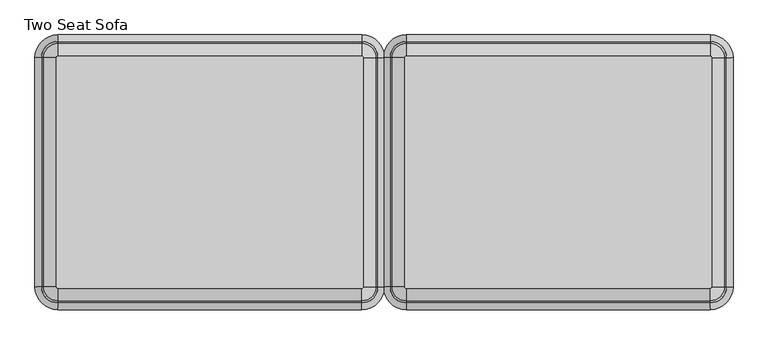
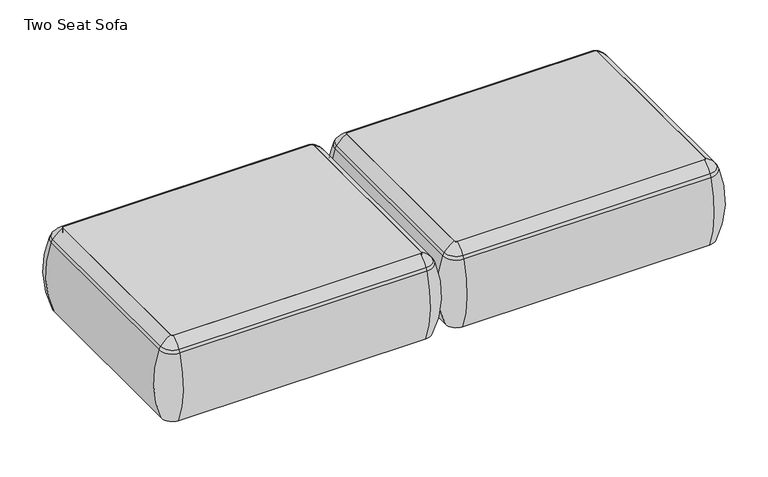
"""IFC4 building model written with IfcOpenShell, lengths in millimetres: furniture geometry, Two Seat Sofa."""

from ifc_helpers import new_model, si_unit, point, frame, frame_2d, origin, place, context, project, spatial, polyline, circle_curve, ellipse_curve, trimmed, segment, composite_curve, outline, extrude, source, transform, mapped, element, save
from ifc_brep_helpers import plane_surface, cylinder_surface, revolved_surface, advanced_brep


def two_seat_sofa_d5e577bb(model_context):
    return source(origin(), model_context, "Body", "SolidModel", [
        advanced_brep(
        [(-103.5651735, -680.3856623, 390.3914007), (-98.2853663, -685.6654695, 390.3914007), (-98.2853663, -685.6654695, 123.9999984), (-103.5651735, -680.3856623, 123.9999984), (-132.2532177, -680.3856623, 123.9999984), (-98.2853663, -714.3535137, 123.9999984), (-98.2853663, -722.0329787, 353.7769053), (-139.9326827, -680.3856623, 353.7769053), (-103.5651735, -92.2092577, 123.9999984), (-103.5651735, -92.2092577, 390.3914007), (-139.9326827, -92.2092577, 353.7769053), (-132.2532177, -92.2092577, 123.9999984), (-98.2853663, -86.9294504, 390.3914007), (-98.2853663, -86.9294504, 123.9999984), (-98.2853663, -58.2414063, 123.9999984), (-98.2853663, -50.5619412, 353.7769053), (681.4946337, -86.9294504, 123.9999984), (681.4946337, -86.9294504, 390.3914007), (681.4946337, -50.5619412, 353.7769053), (681.4946337, -58.2414063, 123.9999984), (686.774441, -92.2092577, 390.3914007), (686.774441, -92.2092577, 123.9999984), (715.4624852, -92.2092577, 123.9999984), (723.1419502, -92.2092577, 353.7769053), (686.774441, -680.3856623, 123.9999984), (686.774441, -680.3856623, 390.3914007), (723.1419502, -680.3856623, 353.7769053), (715.4624852, -680.3856623, 123.9999984), (681.4946337, -685.6654695, 390.3914007), (681.4946337, -685.6654695, 123.9999984), (681.4946337, -714.3535137, 123.9999984), (681.4946337, -722.0329787, 353.7769053), (-134.7142228, -680.3856623, 363.6402875), (-98.2853663, -716.8145188, 363.6402875), (-134.7142228, -92.2092577, 363.6402875), (-98.2853663, -55.7804011, 363.6402875), (681.4946337, -55.7804011, 363.6402875), (717.9234903, -92.2092577, 363.6402875), (717.9234903, -680.3856623, 363.6402875), (681.4946337, -716.8145188, 363.6402875)],
        [
            (0, 1, circle_curve(frame((-98.2853663, -680.3856623, 390.3914007), z_axis=(0.0, 0.0, 1.0), x_axis=(0.0, -1.0, 0.0)), 5.2798073)),
            (1, 2),
            (2, 3, circle_curve(frame((-98.2853663, -680.3856623, 123.9999984), z_axis=(0.0, 0.0, -1.0), x_axis=(0.0, -1.0, 0.0)), 5.2798073)),
            (3, 0),
            (4, 5, circle_curve(frame((-98.2853663, -680.3856623, 123.9999984), z_axis=(0.0, 0.0, 1.0), x_axis=(0.0, -1.0, 0.0)), 33.9678514)),
            (5, 6, circle_curve(frame((-98.2853663, -417.9792297, 248.9220234), z_axis=(-1.0, 0.0, 0.0), x_axis=(0.0, -1.0, 0.0)), 321.625914)),
            (6, 7, circle_curve(frame((-98.2853663, -680.3856623, 353.7769053), z_axis=(0.0, 0.0, -1.0), x_axis=(0.0, -1.0, 0.0)), 41.6473165)),
            (7, 4, circle_curve(frame((164.1210663, -680.3856623, 248.9220234), z_axis=(0.0, -1.0, 0.0), x_axis=(-1.0, 0.0, 0.0)), 321.625914)),
            (3, 8),
            (8, 9),
            (9, 0),
            (7, 10),
            (10, 11, circle_curve(frame((164.1210663, -92.2092577, 248.9220234), z_axis=(0.0, -1.0, 0.0), x_axis=(-1.0, 0.0, 0.0)), 321.625914)),
            (11, 4),
            (12, 9, circle_curve(frame((-98.2853663, -92.2092577, 390.3914007), z_axis=(0.0, 0.0, 1.0), x_axis=(-1.0, 0.0, 0.0)), 5.2798073)),
            (8, 13, circle_curve(frame((-98.2853663, -92.2092577, 123.9999984), z_axis=(0.0, 0.0, -1.0), x_axis=(-1.0, 0.0, 0.0)), 5.2798073)),
            (13, 12),
            (14, 11, circle_curve(frame((-98.2853663, -92.2092577, 123.9999984), z_axis=(0.0, 0.0, 1.0), x_axis=(-1.0, 0.0, 0.0)), 33.9678514)),
            (10, 15, circle_curve(frame((-98.2853663, -92.2092577, 353.7769053), z_axis=(0.0, 0.0, -1.0), x_axis=(-1.0, 0.0, 0.0)), 41.6473165)),
            (15, 14, circle_curve(frame((-98.2853663, -354.6156902, 248.9220234), z_axis=(-1.0, 0.0, 0.0), x_axis=(0.0, 1.0, 0.0)), 321.625914)),
            (13, 16),
            (16, 17),
            (17, 12),
            (15, 18),
            (18, 19, circle_curve(frame((681.4946337, -354.6156902, 248.9220234), z_axis=(-1.0, 0.0, 0.0), x_axis=(0.0, 1.0, 0.0)), 321.625914)),
            (19, 14),
            (20, 17, circle_curve(frame((681.4946337, -92.2092577, 390.3914007), z_axis=(0.0, 0.0, 1.0), x_axis=(0.0, 1.0, 0.0)), 5.2798073)),
            (16, 21, circle_curve(frame((681.4946337, -92.2092577, 123.9999984), z_axis=(0.0, 0.0, -1.0), x_axis=(0.0, 1.0, 0.0)), 5.2798073)),
            (21, 20),
            (22, 19, circle_curve(frame((681.4946337, -92.2092577, 123.9999984), z_axis=(0.0, 0.0, 1.0), x_axis=(0.0, 1.0, 0.0)), 33.9678514)),
            (18, 23, circle_curve(frame((681.4946337, -92.2092577, 353.7769053), z_axis=(0.0, 0.0, -1.0), x_axis=(0.0, 1.0, 0.0)), 41.6473165)),
            (23, 22, circle_curve(frame((419.0882012, -92.2092577, 248.9220234), z_axis=(0.0, 1.0, 0.0), x_axis=(1.0, 0.0, 0.0)), 321.625914)),
            (21, 24),
            (24, 25),
            (25, 20),
            (23, 26),
            (26, 27, circle_curve(frame((419.0882012, -680.3856623, 248.9220234), z_axis=(0.0, 1.0, 0.0), x_axis=(1.0, 0.0, 0.0)), 321.625914)),
            (27, 22),
            (28, 25, circle_curve(frame((681.4946337, -680.3856623, 390.3914007), z_axis=(0.0, 0.0, 1.0), x_axis=(1.0, 0.0, 0.0)), 5.2798073)),
            (24, 29, circle_curve(frame((681.4946337, -680.3856623, 123.9999984), z_axis=(0.0, 0.0, -1.0), x_axis=(1.0, 0.0, 0.0)), 5.2798073)),
            (29, 28),
            (30, 27, circle_curve(frame((681.4946337, -680.3856623, 123.9999984), z_axis=(0.0, 0.0, 1.0), x_axis=(1.0, 0.0, 0.0)), 33.9678514)),
            (26, 31, circle_curve(frame((681.4946337, -680.3856623, 353.7769053), z_axis=(0.0, 0.0, -1.0), x_axis=(1.0, 0.0, 0.0)), 41.6473165)),
            (31, 30, circle_curve(frame((681.4946337, -417.9792297, 248.9220234), z_axis=(1.0, 0.0, 0.0), x_axis=(0.0, -1.0, 0.0)), 321.625914)),
            (30, 5),
            (2, 29),
            (1, 28),
            (31, 6),
            (32, 33, circle_curve(frame((-98.2853663, -680.3856623, 363.6402875), z_axis=(0.0, 0.0, 1.0), x_axis=(0.0, -1.0, 0.0)), 36.4288566)),
            (33, 1, circle_curve(frame((-98.2853663, -641.43285, 307.3762868), z_axis=(-1.0, 0.0, 0.0), x_axis=(0.0, -1.0, 0.0)), 94.0639876)),
            (0, 32, circle_curve(frame((-59.332554, -680.3856623, 307.3762868), z_axis=(0.0, -1.0, 0.0), x_axis=(-1.0, 0.0, 0.0)), 94.0639876)),
            (6, 33, circle_curve(frame((-98.2853663, -687.7682596, 341.9604975), z_axis=(-1.0, 0.0, 0.0), x_axis=(0.0, -1.0, 0.0)), 36.2449785)),
            (32, 7, circle_curve(frame((-105.6679637, -680.3856623, 341.9604975), z_axis=(0.0, -1.0, 0.0), x_axis=(-1.0, 0.0, 0.0)), 36.2449785)),
            (9, 34, circle_curve(frame((-59.332554, -92.2092577, 307.3762868), z_axis=(0.0, -1.0, 0.0), x_axis=(-1.0, 0.0, 0.0)), 94.0639876)),
            (34, 32),
            (34, 10, circle_curve(frame((-105.6679637, -92.2092577, 341.9604975), z_axis=(0.0, -1.0, 0.0), x_axis=(-1.0, 0.0, 0.0)), 36.2449785)),
            (35, 34, circle_curve(frame((-98.2853663, -92.2092577, 363.6402875), z_axis=(0.0, 0.0, 1.0), x_axis=(-1.0, 0.0, 0.0)), 36.4288566)),
            (12, 35, circle_curve(frame((-98.2853663, -131.1620699, 307.3762868), z_axis=(-1.0, 0.0, 0.0), x_axis=(0.0, 1.0, 0.0)), 94.0639876)),
            (35, 15, circle_curve(frame((-98.2853663, -84.8266603, 341.9604975), z_axis=(-1.0, 0.0, 0.0), x_axis=(0.0, 1.0, 0.0)), 36.2449785)),
            (17, 36, circle_curve(frame((681.4946337, -131.1620699, 307.3762868), z_axis=(-1.0, 0.0, 0.0), x_axis=(0.0, 1.0, 0.0)), 94.0639876)),
            (36, 35),
            (36, 18, circle_curve(frame((681.4946337, -84.8266603, 341.9604975), z_axis=(-1.0, 0.0, 0.0), x_axis=(0.0, 1.0, 0.0)), 36.2449785)),
            (37, 36, circle_curve(frame((681.4946337, -92.2092577, 363.6402875), z_axis=(0.0, 0.0, 1.0), x_axis=(0.0, 1.0, 0.0)), 36.4288566)),
            (20, 37, circle_curve(frame((642.5418215, -92.2092577, 307.3762868), z_axis=(0.0, 1.0, 0.0), x_axis=(1.0, 0.0, 0.0)), 94.0639876)),
            (37, 23, circle_curve(frame((688.8772311, -92.2092577, 341.9604975), z_axis=(0.0, 1.0, 0.0), x_axis=(1.0, 0.0, 0.0)), 36.2449785)),
            (25, 38, circle_curve(frame((642.5418215, -680.3856623, 307.3762868), z_axis=(0.0, 1.0, 0.0), x_axis=(1.0, 0.0, 0.0)), 94.0639876)),
            (38, 37),
            (38, 26, circle_curve(frame((688.8772311, -680.3856623, 341.9604975), z_axis=(0.0, 1.0, 0.0), x_axis=(1.0, 0.0, 0.0)), 36.2449785)),
            (39, 38, circle_curve(frame((681.4946337, -680.3856623, 363.6402875), z_axis=(0.0, 0.0, 1.0), x_axis=(1.0, 0.0, 0.0)), 36.4288566)),
            (28, 39, circle_curve(frame((681.4946337, -641.43285, 307.3762868), z_axis=(1.0, 0.0, 0.0), x_axis=(0.0, -1.0, 0.0)), 94.0639876)),
            (39, 31, circle_curve(frame((681.4946337, -687.7682596, 341.9604975), z_axis=(1.0, 0.0, 0.0), x_axis=(0.0, -1.0, 0.0)), 36.2449785)),
            (33, 39),
        ],
        [
            revolved_surface(polyline([(-98.2853663, -685.6654696, 123.9999984), (-98.2853663, -685.6654696, 390.3914007)]), (-98.2853663, -680.3856623, 0.0), (0.0, 0.0, -1.0)),
            revolved_surface(trimmed(ellipse_curve(frame((-98.2853663, -417.9792297, 248.9220234), z_axis=(1.0, 0.0, 0.0), x_axis=(0.0, -1.0, 0.0)), 321.625914, 321.625914), [point((-98.2853663, -722.0329787, 353.7769053))], [point((-98.2853663, -714.3535137, 123.9999984))], True, "CARTESIAN"), (-98.2853663, -680.3856623, 0.0), (0.0, 0.0, -1.0)),
            plane_surface(frame((-103.5651735, -680.3856623, 123.9999984), z_axis=(1.0, 0.0, 0.0), x_axis=(0.0, 1.0, 0.0))),
            cylinder_surface(frame((164.1210663, -680.3856623, 248.9220234), z_axis=(0.0, -1.0, 0.0), x_axis=(-1.0, 0.0, 0.0)), 321.625914),
            revolved_surface(polyline([(-103.56517360000001, -92.2092577, 123.9999984), (-103.56517360000001, -92.2092577, 390.3914007)]), (-98.2853663, -92.2092577, 0.0), (0.0, 0.0, -1.0)),
            revolved_surface(trimmed(ellipse_curve(frame((164.1210663, -92.2092577, 248.9220234), z_axis=(0.0, -1.0, 0.0), x_axis=(-1.0, 0.0, 0.0)), 321.625914, 321.625914), [point((-139.9326827, -92.2092577, 353.7769053))], [point((-132.2532177, -92.2092577, 123.9999984))], True, "CARTESIAN"), (-98.2853663, -92.2092577, 0.0), (0.0, 0.0, -1.0)),
            plane_surface(frame((-98.2853663, -86.9294504, 123.9999984), z_axis=(0.0, -1.0, 0.0), x_axis=(1.0, 0.0, 0.0))),
            cylinder_surface(frame((-98.2853663, -354.6156902, 248.9220234), z_axis=(-1.0, 0.0, 0.0), x_axis=(0.0, 1.0, 0.0)), 321.625914),
            revolved_surface(polyline([(681.4946337, -86.9294504, 123.9999984), (681.4946337, -86.9294504, 390.3914007)]), (681.4946337, -92.2092577, 0.0), (0.0, 0.0, -1.0)),
            revolved_surface(trimmed(ellipse_curve(frame((681.4946337, -354.6156902, 248.9220234), z_axis=(-1.0, 0.0, 0.0), x_axis=(0.0, 1.0, 0.0)), 321.625914, 321.625914), [point((681.4946337, -50.5619412, 353.7769053))], [point((681.4946337, -58.2414063, 123.9999984))], True, "CARTESIAN"), (681.4946337, -92.2092577, 0.0), (0.0, 0.0, -1.0)),
            plane_surface(frame((686.774441, -92.2092577, 123.9999984), z_axis=(-1.0, 0.0, 0.0), x_axis=(0.0, -1.0, 0.0))),
            cylinder_surface(frame((419.0882012, -92.2092577, 248.9220234), z_axis=(0.0, 1.0, 0.0), x_axis=(1.0, 0.0, 0.0)), 321.625914),
            revolved_surface(polyline([(686.774441, -680.3856623, 123.9999984), (686.774441, -680.3856623, 390.3914007)]), (681.4946337, -680.3856623, 0.0), (0.0, 0.0, -1.0)),
            revolved_surface(trimmed(ellipse_curve(frame((419.0882012, -680.3856623, 248.9220234), z_axis=(0.0, 1.0, 0.0), x_axis=(1.0, 0.0, 0.0)), 321.625914, 321.625914), [point((723.1419502, -680.3856623, 353.7769053))], [point((715.4624852, -680.3856623, 123.9999984))], True, "CARTESIAN"), (681.4946337, -680.3856623, 0.0), (0.0, 0.0, -1.0)),
            plane_surface(frame((681.4946337, -714.3535137, 123.9999984), z_axis=(0.0, 0.0, -1.0), x_axis=(-1.0, 0.0, 0.0))),
            plane_surface(frame((681.4946337, -685.6654695, 123.9999984), z_axis=(0.0, 1.0, 0.0), x_axis=(-1.0, 0.0, 0.0))),
            cylinder_surface(frame((681.4946337, -417.9792297, 248.9220234), z_axis=(1.0, 0.0, 0.0), x_axis=(0.0, -1.0, 0.0)), 321.625914),
            revolved_surface(trimmed(ellipse_curve(frame((-98.2853663, -641.43285, 307.3762868), z_axis=(1.0, 0.0, 0.0), x_axis=(0.0, -1.0, 0.0)), 94.0639876, 94.0639876), [point((-98.2853663, -685.6654695, 390.3914007))], [point((-98.2853663, -716.8145188, 363.6402875))], True, "CARTESIAN"), (-98.2853663, -680.3856623, 0.0), (0.0, 0.0, -1.0)),
            revolved_surface(trimmed(ellipse_curve(frame((-98.2853663, -687.7682596, 341.9604975), z_axis=(1.0, 0.0, 0.0), x_axis=(0.0, -1.0, 0.0)), 36.2449785, 36.2449785), [point((-98.2853663, -716.8145188, 363.6402875))], [point((-98.2853663, -722.0329787, 353.7769053))], True, "CARTESIAN"), (-98.2853663, -680.3856623, 0.0), (0.0, 0.0, -1.0)),
            cylinder_surface(frame((-59.332554, -680.3856623, 307.3762868), z_axis=(0.0, -1.0, 0.0), x_axis=(-1.0, 0.0, 0.0)), 94.0639876),
            cylinder_surface(frame((-105.6679637, -680.3856623, 341.9604975), z_axis=(0.0, -1.0, 0.0), x_axis=(-1.0, 0.0, 0.0)), 36.2449785),
            revolved_surface(trimmed(ellipse_curve(frame((-59.332554, -92.2092577, 307.3762868), z_axis=(0.0, -1.0, 0.0), x_axis=(-1.0, 0.0, 0.0)), 94.0639876, 94.0639876), [point((-103.5651735, -92.2092577, 390.3914007))], [point((-134.7142228, -92.2092577, 363.6402875))], True, "CARTESIAN"), (-98.2853663, -92.2092577, 0.0), (0.0, 0.0, -1.0)),
            revolved_surface(trimmed(ellipse_curve(frame((-105.6679637, -92.2092577, 341.9604975), z_axis=(0.0, -1.0, 0.0), x_axis=(-1.0, 0.0, 0.0)), 36.2449785, 36.2449785), [point((-134.7142228, -92.2092577, 363.6402875))], [point((-139.9326827, -92.2092577, 353.7769053))], True, "CARTESIAN"), (-98.2853663, -92.2092577, 0.0), (0.0, 0.0, -1.0)),
            cylinder_surface(frame((-98.2853663, -131.1620699, 307.3762868), z_axis=(-1.0, 0.0, 0.0), x_axis=(0.0, 1.0, 0.0)), 94.0639876),
            cylinder_surface(frame((-98.2853663, -84.8266603, 341.9604975), z_axis=(-1.0, 0.0, 0.0), x_axis=(0.0, 1.0, 0.0)), 36.2449785),
            revolved_surface(trimmed(ellipse_curve(frame((681.4946337, -131.1620699, 307.3762868), z_axis=(-1.0, 0.0, 0.0), x_axis=(0.0, 1.0, 0.0)), 94.0639876, 94.0639876), [point((681.4946337, -86.9294504, 390.3914007))], [point((681.4946337, -55.7804011, 363.6402875))], True, "CARTESIAN"), (681.4946337, -92.2092577, 0.0), (0.0, 0.0, -1.0)),
            revolved_surface(trimmed(ellipse_curve(frame((681.4946337, -84.8266603, 341.9604975), z_axis=(-1.0, 0.0, 0.0), x_axis=(0.0, 1.0, 0.0)), 36.2449785, 36.2449785), [point((681.4946337, -55.7804011, 363.6402875))], [point((681.4946337, -50.5619412, 353.7769053))], True, "CARTESIAN"), (681.4946337, -92.2092577, 0.0), (0.0, 0.0, -1.0)),
            cylinder_surface(frame((642.5418215, -92.2092577, 307.3762868), z_axis=(0.0, 1.0, 0.0), x_axis=(1.0, 0.0, 0.0)), 94.0639876),
            cylinder_surface(frame((688.8772311, -92.2092577, 341.9604975), z_axis=(0.0, 1.0, 0.0), x_axis=(1.0, 0.0, 0.0)), 36.2449785),
            revolved_surface(trimmed(ellipse_curve(frame((642.5418215, -680.3856623, 307.3762868), z_axis=(0.0, 1.0, 0.0), x_axis=(1.0, 0.0, 0.0)), 94.0639876, 94.0639876), [point((686.774441, -680.3856623, 390.3914007))], [point((717.9234903, -680.3856623, 363.6402875))], True, "CARTESIAN"), (681.4946337, -680.3856623, 0.0), (0.0, 0.0, -1.0)),
            revolved_surface(trimmed(ellipse_curve(frame((688.8772311, -680.3856623, 341.9604975), z_axis=(0.0, 1.0, 0.0), x_axis=(1.0, 0.0, 0.0)), 36.2449785, 36.2449785), [point((717.9234903, -680.3856623, 363.6402875))], [point((723.1419502, -680.3856623, 353.7769053))], True, "CARTESIAN"), (681.4946337, -680.3856623, 0.0), (0.0, 0.0, -1.0)),
            cylinder_surface(frame((681.4946337, -641.43285, 307.3762868), z_axis=(1.0, 0.0, 0.0), x_axis=(0.0, -1.0, 0.0)), 94.0639876),
            cylinder_surface(frame((681.4946337, -687.7682596, 341.9604975), z_axis=(1.0, 0.0, 0.0), x_axis=(0.0, -1.0, 0.0)), 36.2449785),
        ],
        [
            (0, [[1, 2, 3, 4]]),
            (1, [[5, 6, 7, 8]]),
            (2, [[-4, 9, 10, 11]]),
            (3, [[-8, 12, 13, 14]]),
            (4, [[15, -10, 16, 17]]),
            (5, [[18, -13, 19, 20]]),
            (6, [[-17, 21, 22, 23]]),
            (7, [[-20, 24, 25, 26]]),
            (8, [[27, -22, 28, 29]]),
            (9, [[30, -25, 31, 32]]),
            (10, [[-29, 33, 34, 35]]),
            (11, [[-32, 36, 37, 38]]),
            (12, [[39, -34, 40, 41]]),
            (13, [[42, -37, 43, 44]]),
            (14, [[-38, -42, 45, -5, -14, -18, -26, -30], [46, -40, -33, -28, -21, -16, -9, -3]]),
            (15, [[-41, -46, -2, 47]]),
            (16, [[-44, 48, -6, -45]]),
            (17, [[49, 50, -1, 51]]),
            (18, [[-7, 52, -49, 53]]),
            (19, [[-51, -11, 54, 55]]),
            (20, [[-53, -55, 56, -12]]),
            (21, [[57, -54, -15, 58]]),
            (22, [[-19, -56, -57, 59]]),
            (23, [[-58, -23, 60, 61]]),
            (24, [[-59, -61, 62, -24]]),
            (25, [[63, -60, -27, 64]]),
            (26, [[-31, -62, -63, 65]]),
            (27, [[-64, -35, 66, 67]]),
            (28, [[-65, -67, 68, -36]]),
            (29, [[69, -66, -39, 70]]),
            (30, [[-43, -68, -69, 71]]),
            (31, [[-70, -47, -50, 72]]),
            (32, [[-71, -72, -52, -48]]),
        ],
    ),
        extrude(outline(composite_curve([segment(trimmed(circle_curve(frame_2d((681.4946337, -680.3856623)), 5.2798073), [point((686.774441, -680.3856623))], [point((681.4946337, -685.6654695))], False, "CARTESIAN"), True, "CONTINUOUS"), segment(polyline([(681.4946337, -685.6654695), (-98.2853663, -685.6654695)]), True, "CONTINUOUS"), segment(trimmed(circle_curve(frame_2d((-98.2853663, -680.3856623)), 5.2798073), [point((-98.2853663, -685.6654695))], [point((-103.5651735, -680.3856623))], False, "CARTESIAN"), True, "CONTINUOUS"), segment(polyline([(-103.5651735, -680.3856623), (-103.5651735, -92.2092577)]), True, "CONTINUOUS"), segment(trimmed(circle_curve(frame_2d((-98.2853663, -92.2092577)), 5.2798073), [point((-103.5651735, -92.2092577))], [point((-98.2853663, -86.9294504))], False, "CARTESIAN"), True, "CONTINUOUS"), segment(polyline([(-98.2853663, -86.9294504), (681.4946337, -86.9294504)]), True, "CONTINUOUS"), segment(trimmed(circle_curve(frame_2d((681.4946337, -92.2092577)), 5.2798073), [point((681.4946337, -86.9294504))], [point((686.774441, -92.2092577))], False, "CARTESIAN"), True, "CONTINUOUS"), segment(polyline([(686.774441, -92.2092577), (686.774441, -680.3856623)]), True, "CONTINUOUS")], self_intersect=False)), frame((0.0, 0.0, 123.9999984), z_axis=(0.0, 0.0, 1.0), x_axis=(1.0, 0.0, 0.0)), (0.0, 0.0, 1.0), 266.3914023),
        advanced_brep(
        [(-997.6650173, -680.3856623, 390.3914007), (-992.38521, -685.6654695, 390.3914007), (-992.38521, -685.6654695, 123.9999984), (-997.6650173, -680.3856623, 123.9999984), (-1026.3530615, -680.3856623, 123.9999984), (-992.38521, -714.3535137, 123.9999984), (-992.38521, -722.0329787, 353.7769053), (-1034.0325265, -680.3856623, 353.7769053), (-997.6650173, -92.2092577, 123.9999984), (-997.6650173, -92.2092577, 390.3914007), (-1034.0325265, -92.2092577, 353.7769053), (-1026.3530615, -92.2092577, 123.9999984), (-992.38521, -86.9294504, 390.3914007), (-992.38521, -86.9294504, 123.9999984), (-992.38521, -58.2414063, 123.9999984), (-992.38521, -50.5619412, 353.7769053), (-212.60521, -86.9294504, 123.9999984), (-212.60521, -86.9294504, 390.3914007), (-212.60521, -50.5619412, 353.7769053), (-212.60521, -58.2414063, 123.9999984), (-207.3254028, -92.2092577, 390.3914007), (-207.3254028, -92.2092577, 123.9999984), (-178.6373586, -92.2092577, 123.9999984), (-170.9578936, -92.2092577, 353.7769053), (-207.3254028, -680.3856623, 123.9999984), (-207.3254028, -680.3856623, 390.3914007), (-170.9578936, -680.3856623, 353.7769053), (-178.6373586, -680.3856623, 123.9999984), (-212.60521, -685.6654695, 390.3914007), (-212.60521, -685.6654695, 123.9999984), (-212.60521, -714.3535137, 123.9999984), (-212.60521, -722.0329787, 353.7769053), (-1028.8140666, -680.3856623, 363.6402875), (-992.38521, -716.8145188, 363.6402875), (-1028.8140666, -92.2092577, 363.6402875), (-992.38521, -55.7804011, 363.6402875), (-212.60521, -55.7804011, 363.6402875), (-176.1763535, -92.2092577, 363.6402875), (-176.1763535, -680.3856623, 363.6402875), (-212.60521, -716.8145188, 363.6402875)],
        [
            (0, 1, circle_curve(frame((-992.38521, -680.3856623, 390.3914007), z_axis=(0.0, 0.0, 1.0), x_axis=(0.0, -1.0, 0.0)), 5.2798073)),
            (1, 2),
            (2, 3, circle_curve(frame((-992.38521, -680.3856623, 123.9999984), z_axis=(0.0, 0.0, -1.0), x_axis=(0.0, -1.0, 0.0)), 5.2798073)),
            (3, 0),
            (4, 5, circle_curve(frame((-992.38521, -680.3856623, 123.9999984), z_axis=(0.0, 0.0, 1.0), x_axis=(0.0, -1.0, 0.0)), 33.9678514)),
            (5, 6, circle_curve(frame((-992.38521, -417.9792297, 248.9220234), z_axis=(-1.0, 0.0, 0.0), x_axis=(0.0, -1.0, 0.0)), 321.625914)),
            (6, 7, circle_curve(frame((-992.38521, -680.3856623, 353.7769053), z_axis=(0.0, 0.0, -1.0), x_axis=(0.0, -1.0, 0.0)), 41.6473165)),
            (7, 4, circle_curve(frame((-729.9787775, -680.3856623, 248.9220234), z_axis=(0.0, -1.0, 0.0), x_axis=(-1.0, 0.0, 0.0)), 321.625914)),
            (3, 8),
            (8, 9),
            (9, 0),
            (7, 10),
            (10, 11, circle_curve(frame((-729.9787775, -92.2092577, 248.9220234), z_axis=(0.0, -1.0, 0.0), x_axis=(-1.0, 0.0, 0.0)), 321.625914)),
            (11, 4),
            (12, 9, circle_curve(frame((-992.38521, -92.2092577, 390.3914007), z_axis=(0.0, 0.0, 1.0), x_axis=(-1.0, 0.0, 0.0)), 5.2798073)),
            (8, 13, circle_curve(frame((-992.38521, -92.2092577, 123.9999984), z_axis=(0.0, 0.0, -1.0), x_axis=(-1.0, 0.0, 0.0)), 5.2798073)),
            (13, 12),
            (14, 11, circle_curve(frame((-992.38521, -92.2092577, 123.9999984), z_axis=(0.0, 0.0, 1.0), x_axis=(-1.0, 0.0, 0.0)), 33.9678514)),
            (10, 15, circle_curve(frame((-992.38521, -92.2092577, 353.7769053), z_axis=(0.0, 0.0, -1.0), x_axis=(-1.0, 0.0, 0.0)), 41.6473165)),
            (15, 14, circle_curve(frame((-992.38521, -354.6156902, 248.9220234), z_axis=(-1.0, 0.0, 0.0), x_axis=(0.0, 1.0, 0.0)), 321.625914)),
            (13, 16),
            (16, 17),
            (17, 12),
            (15, 18),
            (18, 19, circle_curve(frame((-212.60521, -354.6156902, 248.9220234), z_axis=(-1.0, 0.0, 0.0), x_axis=(0.0, 1.0, 0.0)), 321.625914)),
            (19, 14),
            (20, 17, circle_curve(frame((-212.60521, -92.2092577, 390.3914007), z_axis=(0.0, 0.0, 1.0), x_axis=(0.0, 1.0, 0.0)), 5.2798073)),
            (16, 21, circle_curve(frame((-212.60521, -92.2092577, 123.9999984), z_axis=(0.0, 0.0, -1.0), x_axis=(0.0, 1.0, 0.0)), 5.2798073)),
            (21, 20),
            (22, 19, circle_curve(frame((-212.60521, -92.2092577, 123.9999984), z_axis=(0.0, 0.0, 1.0), x_axis=(0.0, 1.0, 0.0)), 33.9678514)),
            (18, 23, circle_curve(frame((-212.60521, -92.2092577, 353.7769053), z_axis=(0.0, 0.0, -1.0), x_axis=(0.0, 1.0, 0.0)), 41.6473165)),
            (23, 22, circle_curve(frame((-475.0116426, -92.2092577, 248.9220234), z_axis=(0.0, 1.0, 0.0), x_axis=(1.0, 0.0, 0.0)), 321.625914)),
            (21, 24),
            (24, 25),
            (25, 20),
            (23, 26),
            (26, 27, circle_curve(frame((-475.0116426, -680.3856623, 248.9220234), z_axis=(0.0, 1.0, 0.0), x_axis=(1.0, 0.0, 0.0)), 321.625914)),
            (27, 22),
            (28, 25, circle_curve(frame((-212.60521, -680.3856623, 390.3914007), z_axis=(0.0, 0.0, 1.0), x_axis=(1.0, 0.0, 0.0)), 5.2798073)),
            (24, 29, circle_curve(frame((-212.60521, -680.3856623, 123.9999984), z_axis=(0.0, 0.0, -1.0), x_axis=(1.0, 0.0, 0.0)), 5.2798073)),
            (29, 28),
            (30, 27, circle_curve(frame((-212.60521, -680.3856623, 123.9999984), z_axis=(0.0, 0.0, 1.0), x_axis=(1.0, 0.0, 0.0)), 33.9678514)),
            (26, 31, circle_curve(frame((-212.60521, -680.3856623, 353.7769053), z_axis=(0.0, 0.0, -1.0), x_axis=(1.0, 0.0, 0.0)), 41.6473165)),
            (31, 30, circle_curve(frame((-212.60521, -417.9792297, 248.9220234), z_axis=(1.0, 0.0, 0.0), x_axis=(0.0, -1.0, 0.0)), 321.625914)),
            (30, 5),
            (2, 29),
            (1, 28),
            (31, 6),
            (32, 33, circle_curve(frame((-992.38521, -680.3856623, 363.6402875), z_axis=(0.0, 0.0, 1.0), x_axis=(0.0, -1.0, 0.0)), 36.4288566)),
            (33, 1, circle_curve(frame((-992.38521, -641.43285, 307.3762868), z_axis=(-1.0, 0.0, 0.0), x_axis=(0.0, -1.0, 0.0)), 94.0639876)),
            (0, 32, circle_curve(frame((-953.4323978, -680.3856623, 307.3762868), z_axis=(0.0, -1.0, 0.0), x_axis=(-1.0, 0.0, 0.0)), 94.0639876)),
            (6, 33, circle_curve(frame((-992.38521, -687.7682596, 341.9604975), z_axis=(-1.0, 0.0, 0.0), x_axis=(0.0, -1.0, 0.0)), 36.2449785)),
            (32, 7, circle_curve(frame((-999.7678074, -680.3856623, 341.9604975), z_axis=(0.0, -1.0, 0.0), x_axis=(-1.0, 0.0, 0.0)), 36.2449785)),
            (9, 34, circle_curve(frame((-953.4323978, -92.2092577, 307.3762868), z_axis=(0.0, -1.0, 0.0), x_axis=(-1.0, 0.0, 0.0)), 94.0639876)),
            (34, 32),
            (34, 10, circle_curve(frame((-999.7678074, -92.2092577, 341.9604975), z_axis=(0.0, -1.0, 0.0), x_axis=(-1.0, 0.0, 0.0)), 36.2449785)),
            (35, 34, circle_curve(frame((-992.38521, -92.2092577, 363.6402875), z_axis=(0.0, 0.0, 1.0), x_axis=(-1.0, 0.0, 0.0)), 36.4288566)),
            (12, 35, circle_curve(frame((-992.38521, -131.1620699, 307.3762868), z_axis=(-1.0, 0.0, 0.0), x_axis=(0.0, 1.0, 0.0)), 94.0639876)),
            (35, 15, circle_curve(frame((-992.38521, -84.8266603, 341.9604975), z_axis=(-1.0, 0.0, 0.0), x_axis=(0.0, 1.0, 0.0)), 36.2449785)),
            (17, 36, circle_curve(frame((-212.60521, -131.1620699, 307.3762868), z_axis=(-1.0, 0.0, 0.0), x_axis=(0.0, 1.0, 0.0)), 94.0639876)),
            (36, 35),
            (36, 18, circle_curve(frame((-212.60521, -84.8266603, 341.9604975), z_axis=(-1.0, 0.0, 0.0), x_axis=(0.0, 1.0, 0.0)), 36.2449785)),
            (37, 36, circle_curve(frame((-212.60521, -92.2092577, 363.6402875), z_axis=(0.0, 0.0, 1.0), x_axis=(0.0, 1.0, 0.0)), 36.4288566)),
            (20, 37, circle_curve(frame((-251.5580223, -92.2092577, 307.3762868), z_axis=(0.0, 1.0, 0.0), x_axis=(1.0, 0.0, 0.0)), 94.0639876)),
            (37, 23, circle_curve(frame((-205.2226126, -92.2092577, 341.9604975), z_axis=(0.0, 1.0, 0.0), x_axis=(1.0, 0.0, 0.0)), 36.2449785)),
            (25, 38, circle_curve(frame((-251.5580223, -680.3856623, 307.3762868), z_axis=(0.0, 1.0, 0.0), x_axis=(1.0, 0.0, 0.0)), 94.0639876)),
            (38, 37),
            (38, 26, circle_curve(frame((-205.2226126, -680.3856623, 341.9604975), z_axis=(0.0, 1.0, 0.0), x_axis=(1.0, 0.0, 0.0)), 36.2449785)),
            (39, 38, circle_curve(frame((-212.60521, -680.3856623, 363.6402875), z_axis=(0.0, 0.0, 1.0), x_axis=(1.0, 0.0, 0.0)), 36.4288566)),
            (28, 39, circle_curve(frame((-212.60521, -641.43285, 307.3762868), z_axis=(1.0, 0.0, 0.0), x_axis=(0.0, -1.0, 0.0)), 94.0639876)),
            (39, 31, circle_curve(frame((-212.60521, -687.7682596, 341.9604975), z_axis=(1.0, 0.0, 0.0), x_axis=(0.0, -1.0, 0.0)), 36.2449785)),
            (33, 39),
        ],
        [
            revolved_surface(polyline([(-992.38521, -685.6654696, 123.9999984), (-992.38521, -685.6654696, 390.3914007)]), (-992.38521, -680.3856623, 0.0), (0.0, 0.0, -1.0)),
            revolved_surface(trimmed(ellipse_curve(frame((-992.38521, -417.9792297, 248.9220234), z_axis=(1.0, 0.0, 0.0), x_axis=(0.0, -1.0, 0.0)), 321.625914, 321.625914), [point((-992.38521, -722.0329787, 353.7769053))], [point((-992.38521, -714.3535137, 123.9999984))], True, "CARTESIAN"), (-992.38521, -680.3856623, 0.0), (0.0, 0.0, -1.0)),
            plane_surface(frame((-997.6650173, -680.3856623, 123.9999984), z_axis=(1.0, 0.0, 0.0), x_axis=(0.0, 1.0, 0.0))),
            cylinder_surface(frame((-729.9787775, -680.3856623, 248.9220234), z_axis=(0.0, -1.0, 0.0), x_axis=(-1.0, 0.0, 0.0)), 321.625914),
            revolved_surface(polyline([(-997.6650173, -92.2092577, 123.9999984), (-997.6650173, -92.2092577, 390.3914007)]), (-992.38521, -92.2092577, 0.0), (0.0, 0.0, -1.0)),
            revolved_surface(trimmed(ellipse_curve(frame((-729.9787775, -92.2092577, 248.9220234), z_axis=(0.0, -1.0, 0.0), x_axis=(-1.0, 0.0, 0.0)), 321.625914, 321.625914), [point((-1034.0325265, -92.2092577, 353.7769053))], [point((-1026.3530615, -92.2092577, 123.9999984))], True, "CARTESIAN"), (-992.38521, -92.2092577, 0.0), (0.0, 0.0, -1.0)),
            plane_surface(frame((-992.38521, -86.9294504, 123.9999984), z_axis=(0.0, -1.0, 0.0), x_axis=(1.0, 0.0, 0.0))),
            cylinder_surface(frame((-992.38521, -354.6156902, 248.9220234), z_axis=(-1.0, 0.0, 0.0), x_axis=(0.0, 1.0, 0.0)), 321.625914),
            revolved_surface(polyline([(-212.60521, -86.9294504, 123.9999984), (-212.60521, -86.9294504, 390.3914007)]), (-212.60521, -92.2092577, 0.0), (0.0, 0.0, -1.0)),
            revolved_surface(trimmed(ellipse_curve(frame((-212.60521, -354.6156902, 248.9220234), z_axis=(-1.0, 0.0, 0.0), x_axis=(0.0, 1.0, 0.0)), 321.625914, 321.625914), [point((-212.60521, -50.5619412, 353.7769053))], [point((-212.60521, -58.2414063, 123.9999984))], True, "CARTESIAN"), (-212.60521, -92.2092577, 0.0), (0.0, 0.0, -1.0)),
            plane_surface(frame((-207.3254028, -92.2092577, 123.9999984), z_axis=(-1.0, 0.0, 0.0), x_axis=(0.0, -1.0, 0.0))),
            cylinder_surface(frame((-475.0116426, -92.2092577, 248.9220234), z_axis=(0.0, 1.0, 0.0), x_axis=(1.0, 0.0, 0.0)), 321.625914),
            revolved_surface(polyline([(-207.3254027, -680.3856623, 123.9999984), (-207.3254027, -680.3856623, 390.3914007)]), (-212.60521, -680.3856623, 0.0), (0.0, 0.0, -1.0)),
            revolved_surface(trimmed(ellipse_curve(frame((-475.0116426, -680.3856623, 248.9220234), z_axis=(0.0, 1.0, 0.0), x_axis=(1.0, 0.0, 0.0)), 321.625914, 321.625914), [point((-170.9578936, -680.3856623, 353.7769053))], [point((-178.6373586, -680.3856623, 123.9999984))], True, "CARTESIAN"), (-212.60521, -680.3856623, 0.0), (0.0, 0.0, -1.0)),
            plane_surface(frame((-212.60521, -714.3535137, 123.9999984), z_axis=(0.0, 0.0, -1.0), x_axis=(-1.0, 0.0, 0.0))),
            plane_surface(frame((-212.60521, -685.6654695, 123.9999984), z_axis=(0.0, 1.0, 0.0), x_axis=(-1.0, 0.0, 0.0))),
            cylinder_surface(frame((-212.60521, -417.9792297, 248.9220234), z_axis=(1.0, 0.0, 0.0), x_axis=(0.0, -1.0, 0.0)), 321.625914),
            revolved_surface(trimmed(ellipse_curve(frame((-992.38521, -641.43285, 307.3762868), z_axis=(1.0, 0.0, 0.0), x_axis=(0.0, -1.0, 0.0)), 94.0639876, 94.0639876), [point((-992.38521, -685.6654695, 390.3914007))], [point((-992.38521, -716.8145188, 363.6402875))], True, "CARTESIAN"), (-992.38521, -680.3856623, 0.0), (0.0, 0.0, -1.0)),
            revolved_surface(trimmed(ellipse_curve(frame((-992.38521, -687.7682596, 341.9604975), z_axis=(1.0, 0.0, 0.0), x_axis=(0.0, -1.0, 0.0)), 36.2449785, 36.2449785), [point((-992.38521, -716.8145188, 363.6402875))], [point((-992.38521, -722.0329787, 353.7769053))], True, "CARTESIAN"), (-992.38521, -680.3856623, 0.0), (0.0, 0.0, -1.0)),
            cylinder_surface(frame((-953.4323978, -680.3856623, 307.3762868), z_axis=(0.0, -1.0, 0.0), x_axis=(-1.0, 0.0, 0.0)), 94.0639876),
            cylinder_surface(frame((-999.7678074, -680.3856623, 341.9604975), z_axis=(0.0, -1.0, 0.0), x_axis=(-1.0, 0.0, 0.0)), 36.2449785),
            revolved_surface(trimmed(ellipse_curve(frame((-953.4323978, -92.2092577, 307.3762868), z_axis=(0.0, -1.0, 0.0), x_axis=(-1.0, 0.0, 0.0)), 94.0639876, 94.0639876), [point((-997.6650173, -92.2092577, 390.3914007))], [point((-1028.8140666, -92.2092577, 363.6402875))], True, "CARTESIAN"), (-992.38521, -92.2092577, 0.0), (0.0, 0.0, -1.0)),
            revolved_surface(trimmed(ellipse_curve(frame((-999.7678074, -92.2092577, 341.9604975), z_axis=(0.0, -1.0, 0.0), x_axis=(-1.0, 0.0, 0.0)), 36.2449785, 36.2449785), [point((-1028.8140666, -92.2092577, 363.6402875))], [point((-1034.0325265, -92.2092577, 353.7769053))], True, "CARTESIAN"), (-992.38521, -92.2092577, 0.0), (0.0, 0.0, -1.0)),
            cylinder_surface(frame((-992.38521, -131.1620699, 307.3762868), z_axis=(-1.0, 0.0, 0.0), x_axis=(0.0, 1.0, 0.0)), 94.0639876),
            cylinder_surface(frame((-992.38521, -84.8266603, 341.9604975), z_axis=(-1.0, 0.0, 0.0), x_axis=(0.0, 1.0, 0.0)), 36.2449785),
            revolved_surface(trimmed(ellipse_curve(frame((-212.60521, -131.1620699, 307.3762868), z_axis=(-1.0, 0.0, 0.0), x_axis=(0.0, 1.0, 0.0)), 94.0639876, 94.0639876), [point((-212.60521, -86.9294504, 390.3914007))], [point((-212.60521, -55.7804011, 363.6402875))], True, "CARTESIAN"), (-212.60521, -92.2092577, 0.0), (0.0, 0.0, -1.0)),
            revolved_surface(trimmed(ellipse_curve(frame((-212.60521, -84.8266603, 341.9604975), z_axis=(-1.0, 0.0, 0.0), x_axis=(0.0, 1.0, 0.0)), 36.2449785, 36.2449785), [point((-212.60521, -55.7804011, 363.6402875))], [point((-212.60521, -50.5619412, 353.7769053))], True, "CARTESIAN"), (-212.60521, -92.2092577, 0.0), (0.0, 0.0, -1.0)),
            cylinder_surface(frame((-251.5580223, -92.2092577, 307.3762868), z_axis=(0.0, 1.0, 0.0), x_axis=(1.0, 0.0, 0.0)), 94.0639876),
            cylinder_surface(frame((-205.2226126, -92.2092577, 341.9604975), z_axis=(0.0, 1.0, 0.0), x_axis=(1.0, 0.0, 0.0)), 36.2449785),
            revolved_surface(trimmed(ellipse_curve(frame((-251.5580223, -680.3856623, 307.3762868), z_axis=(0.0, 1.0, 0.0), x_axis=(1.0, 0.0, 0.0)), 94.0639876, 94.0639876), [point((-207.3254028, -680.3856623, 390.3914007))], [point((-176.1763535, -680.3856623, 363.6402875))], True, "CARTESIAN"), (-212.60521, -680.3856623, 0.0), (0.0, 0.0, -1.0)),
            revolved_surface(trimmed(ellipse_curve(frame((-205.2226126, -680.3856623, 341.9604975), z_axis=(0.0, 1.0, 0.0), x_axis=(1.0, 0.0, 0.0)), 36.2449785, 36.2449785), [point((-176.1763535, -680.3856623, 363.6402875))], [point((-170.9578936, -680.3856623, 353.7769053))], True, "CARTESIAN"), (-212.60521, -680.3856623, 0.0), (0.0, 0.0, -1.0)),
            cylinder_surface(frame((-212.60521, -641.43285, 307.3762868), z_axis=(1.0, 0.0, 0.0), x_axis=(0.0, -1.0, 0.0)), 94.0639876),
            cylinder_surface(frame((-212.60521, -687.7682596, 341.9604975), z_axis=(1.0, 0.0, 0.0), x_axis=(0.0, -1.0, 0.0)), 36.2449785),
        ],
        [
            (0, [[1, 2, 3, 4]]),
            (1, [[5, 6, 7, 8]]),
            (2, [[-4, 9, 10, 11]]),
            (3, [[-8, 12, 13, 14]]),
            (4, [[15, -10, 16, 17]]),
            (5, [[18, -13, 19, 20]]),
            (6, [[-17, 21, 22, 23]]),
            (7, [[-20, 24, 25, 26]]),
            (8, [[27, -22, 28, 29]]),
            (9, [[30, -25, 31, 32]]),
            (10, [[-29, 33, 34, 35]]),
            (11, [[-32, 36, 37, 38]]),
            (12, [[39, -34, 40, 41]]),
            (13, [[42, -37, 43, 44]]),
            (14, [[-38, -42, 45, -5, -14, -18, -26, -30], [46, -40, -33, -28, -21, -16, -9, -3]]),
            (15, [[-41, -46, -2, 47]]),
            (16, [[-44, 48, -6, -45]]),
            (17, [[49, 50, -1, 51]]),
            (18, [[-7, 52, -49, 53]]),
            (19, [[-51, -11, 54, 55]]),
            (20, [[-53, -55, 56, -12]]),
            (21, [[57, -54, -15, 58]]),
            (22, [[-19, -56, -57, 59]]),
            (23, [[-58, -23, 60, 61]]),
            (24, [[-59, -61, 62, -24]]),
            (25, [[63, -60, -27, 64]]),
            (26, [[-31, -62, -63, 65]]),
            (27, [[-64, -35, 66, 67]]),
            (28, [[-65, -67, 68, -36]]),
            (29, [[69, -66, -39, 70]]),
            (30, [[-43, -68, -69, 71]]),
            (31, [[-70, -47, -50, 72]]),
            (32, [[-71, -72, -52, -48]]),
        ],
    ),
        extrude(outline(composite_curve([segment(trimmed(circle_curve(frame_2d((-212.60521, -680.3856623)), 5.2798073), [point((-207.3254028, -680.3856623))], [point((-212.60521, -685.6654695))], False, "CARTESIAN"), True, "CONTINUOUS"), segment(polyline([(-212.60521, -685.6654695), (-992.38521, -685.6654695)]), True, "CONTINUOUS"), segment(trimmed(circle_curve(frame_2d((-992.38521, -680.3856623)), 5.2798073), [point((-992.38521, -685.6654695))], [point((-997.6650173, -680.3856623))], False, "CARTESIAN"), True, "CONTINUOUS"), segment(polyline([(-997.6650173, -680.3856623), (-997.6650173, -92.2092577)]), True, "CONTINUOUS"), segment(trimmed(circle_curve(frame_2d((-992.38521, -92.2092577)), 5.2798073), [point((-997.6650173, -92.2092577))], [point((-992.38521, -86.9294504))], False, "CARTESIAN"), True, "CONTINUOUS"), segment(polyline([(-992.38521, -86.9294504), (-212.60521, -86.9294504)]), True, "CONTINUOUS"), segment(trimmed(circle_curve(frame_2d((-212.60521, -92.2092577)), 5.2798073), [point((-212.60521, -86.9294504))], [point((-207.3254028, -92.2092577))], False, "CARTESIAN"), True, "CONTINUOUS"), segment(polyline([(-207.3254028, -92.2092577), (-207.3254028, -680.3856623)]), True, "CONTINUOUS")], self_intersect=False)), frame((0.0, 0.0, 123.9999984), z_axis=(0.0, 0.0, 1.0), x_axis=(1.0, 0.0, 0.0)), (0.0, 0.0, 1.0), 266.3914023),
        advanced_brep(
        [(373.838792, -633.9963447, 98.611642), (369.6162038, -641.3100819, 98.611642), (370.0141527, -642.4761133, 98.611642), (385.8334234, -669.8758983, 98.611642), (386.6442569, -670.8035397, 98.611642), (395.0894355, -670.8035397, 98.611642), (395.8939637, -669.7137583, 98.611642), (411.9962168, -642.2119553, 98.611642), (412.1174938, -641.3100836, 98.611642), (407.8949039, -633.9963432, 98.611642), (406.6861204, -633.7579584, 98.611642), (375.047572, -633.7579584, 98.611642), (400.2397227, -648.9168654, 98.611642), (381.3347108, -648.9168654, 98.611642), (373.838792, -633.9963447, 88.6531552), (375.047572, -633.7579584, 88.6531552), (406.6861204, -633.7579584, 88.6531552), (407.8949039, -633.9963432, 88.6531552), (412.1174938, -641.3100836, 88.6531552), (411.9962168, -642.2119553, 88.6531552), (395.8939637, -669.7137583, 88.6531552), (395.0894355, -670.8035397, 88.6531552), (386.6442569, -670.8035397, 88.6531552), (385.8334234, -669.8758983, 88.6531552), (370.0141527, -642.4761133, 88.6531552), (369.6162038, -641.3100819, 88.6531552), (381.3347108, -648.9168654, 103.6569541), (400.2397227, -648.9168654, 103.6569541)],
        [
            (0, 1, circle_curve(frame((392.09828, -649.4142898, 98.611642), z_axis=(0.0, 0.0, 1.0), x_axis=(1.0, 0.0, 0.0)), 23.8981576)),
            (1, 2, circle_curve(frame((370.5437624, -641.6444428, 98.611642), z_axis=(0.0, 0.0, 1.0), x_axis=(1.0, 0.0, 0.0)), 0.9859828)),
            (2, 3, circle_curve(frame((351.6187827, -671.3632053, 98.611642), z_axis=(0.0, 0.0, -1.0), x_axis=(1.0, 0.0, 0.0)), 34.246952)),
            (3, 4, circle_curve(frame((386.8184668, -669.8330785, 98.611642), z_axis=(0.0, 0.0, 1.0), x_axis=(1.0, 0.0, 0.0)), 0.9859736)),
            (4, 5, circle_curve(frame((390.8668462, -647.2809943, 98.611642), z_axis=(0.0, 0.0, 1.0), x_axis=(1.0, 0.0, 0.0)), 23.8985439)),
            (5, 6, circle_curve(frame((394.9152236, -669.8330671, 98.611642), z_axis=(0.0, 0.0, 1.0), x_axis=(1.0, 0.0, 0.0)), 0.9859852)),
            (6, 7, circle_curve(frame((430.1156373, -671.285662, 98.611642), z_axis=(0.0, 0.0, -1.0), x_axis=(1.0, 0.0, 0.0)), 34.2577557)),
            (7, 8, circle_curve(frame((411.1899324, -641.644442, 98.611642), z_axis=(0.0, 0.0, 1.0), x_axis=(1.0, 0.0, 0.0)), 0.9859847)),
            (8, 9, circle_curve(frame((389.6358034, -649.4140667, 98.611642), z_axis=(0.0, 0.0, 1.0), x_axis=(1.0, 0.0, 0.0)), 23.8977184)),
            (9, 10, circle_curve(frame((407.1415576, -634.632458, 98.611642), z_axis=(0.0, 0.0, 1.0), x_axis=(1.0, 0.0, 0.0)), 0.9859881)),
            (10, 11, circle_curve(frame((390.8668462, -603.3828618, 98.611642), z_axis=(0.0, 0.0, -1.0), x_axis=(1.0, 0.0, 0.0)), 34.2475683)),
            (11, 0, circle_curve(frame((374.5921369, -634.632454, 98.611642), z_axis=(0.0, 0.0, 1.0), x_axis=(1.0, 0.0, 0.0)), 0.9859835)),
            (12, 13, circle_curve(frame((390.7872168, -648.9168654, 98.611642), z_axis=(0.0, 0.0, -1.0), x_axis=(1.0, 0.0, 0.0)), 9.452506)),
            (13, 12, circle_curve(frame((390.7872168, -648.9168654, 98.611642), z_axis=(0.0, 0.0, -1.0), x_axis=(1.0, 0.0, 0.0)), 9.452506)),
            (14, 15, circle_curve(frame((374.5921369, -634.632454, 88.6531552), z_axis=(0.0, 0.0, -1.0), x_axis=(1.0, 0.0, 0.0)), 0.9859835)),
            (15, 16, circle_curve(frame((390.8668462, -603.3828618, 88.6531552), z_axis=(0.0, 0.0, 1.0), x_axis=(1.0, 0.0, 0.0)), 34.2475683)),
            (16, 17, circle_curve(frame((407.1415576, -634.632458, 88.6531552), z_axis=(0.0, 0.0, -1.0), x_axis=(1.0, 0.0, 0.0)), 0.9859881)),
            (17, 18, circle_curve(frame((389.6358034, -649.4140667, 88.6531552), z_axis=(0.0, 0.0, -1.0), x_axis=(1.0, 0.0, 0.0)), 23.8977184)),
            (18, 19, circle_curve(frame((411.1899324, -641.644442, 88.6531552), z_axis=(0.0, 0.0, -1.0), x_axis=(1.0, 0.0, 0.0)), 0.9859847)),
            (19, 20, circle_curve(frame((430.1156373, -671.285662, 88.6531552), z_axis=(0.0, 0.0, 1.0), x_axis=(1.0, 0.0, 0.0)), 34.2577557)),
            (20, 21, circle_curve(frame((394.9152236, -669.8330671, 88.6531552), z_axis=(0.0, 0.0, -1.0), x_axis=(1.0, 0.0, 0.0)), 0.9859852)),
            (21, 22, circle_curve(frame((390.8668462, -647.2809943, 88.6531552), z_axis=(0.0, 0.0, -1.0), x_axis=(1.0, 0.0, 0.0)), 23.8985439)),
            (22, 23, circle_curve(frame((386.8184668, -669.8330785, 88.6531552), z_axis=(0.0, 0.0, -1.0), x_axis=(1.0, 0.0, 0.0)), 0.9859736)),
            (23, 24, circle_curve(frame((351.6187827, -671.3632053, 88.6531552), z_axis=(0.0, 0.0, 1.0), x_axis=(1.0, 0.0, 0.0)), 34.246952)),
            (24, 25, circle_curve(frame((370.5437624, -641.6444428, 88.6531552), z_axis=(0.0, 0.0, -1.0), x_axis=(1.0, 0.0, 0.0)), 0.9859828)),
            (25, 14, circle_curve(frame((392.09828, -649.4142898, 88.6531552), z_axis=(0.0, 0.0, -1.0), x_axis=(1.0, 0.0, 0.0)), 23.8981576)),
            (26, 27, circle_curve(frame((390.7872168, -648.9168654, 103.6569541), z_axis=(0.0, 0.0, 1.0), x_axis=(1.0, 0.0, 0.0)), 9.452506)),
            (27, 26, circle_curve(frame((390.7872168, -648.9168654, 103.6569541), z_axis=(0.0, 0.0, 1.0), x_axis=(1.0, 0.0, 0.0)), 9.452506)),
            (0, 14),
            (25, 1),
            (24, 2),
            (23, 3),
            (22, 4),
            (21, 5),
            (20, 6),
            (19, 7),
            (18, 8),
            (17, 9),
            (16, 10),
            (15, 11),
            (26, 13),
            (12, 27),
        ],
        [
            plane_surface(frame((415.9964377, -649.4142898, 98.611642), z_axis=(0.0, 0.0, 1.0), x_axis=(0.0, 1.0, 0.0))),
            plane_surface(frame((415.9964377, -649.4142898, 88.6531552), z_axis=(0.0, 0.0, -1.0), x_axis=(0.0, -1.0, 0.0))),
            plane_surface(frame((400.2397227, -648.9168654, 103.6569541), z_axis=(0.0, 0.0, 1.0), x_axis=(0.0, 1.0, 0.0))),
            cylinder_surface(frame((392.09828, -649.4142898, 88.6531552), z_axis=(0.0, 0.0, 1.0), x_axis=(1.0, 0.0, 0.0)), 23.8981576),
            cylinder_surface(frame((370.5437624, -641.6444428, 88.6531552), z_axis=(0.0, 0.0, 1.0), x_axis=(1.0, 0.0, 0.0)), 0.9859828),
            revolved_surface(polyline([(385.8657347, -671.3632053, 88.6531552), (385.8657347, -671.3632053, 98.611642)]), (351.6187827, -671.3632053, 88.6531552), (0.0, 0.0, -1.0)),
            cylinder_surface(frame((386.8184668, -669.8330785, 88.6531552), z_axis=(0.0, 0.0, 1.0), x_axis=(1.0, 0.0, 0.0)), 0.9859736),
            cylinder_surface(frame((390.8668462, -647.2809943, 88.6531552), z_axis=(0.0, 0.0, 1.0), x_axis=(1.0, 0.0, 0.0)), 23.8985439),
            cylinder_surface(frame((394.9152236, -669.8330671, 88.6531552), z_axis=(0.0, 0.0, 1.0), x_axis=(1.0, 0.0, 0.0)), 0.9859852),
            revolved_surface(polyline([(464.373393, -671.285662, 88.6531552), (464.373393, -671.285662, 98.611642)]), (430.1156373, -671.285662, 88.6531552), (0.0, 0.0, -1.0)),
            cylinder_surface(frame((411.1899324, -641.644442, 88.6531552), z_axis=(0.0, 0.0, 1.0), x_axis=(1.0, 0.0, 0.0)), 0.9859847),
            cylinder_surface(frame((389.6358034, -649.4140667, 88.6531552), z_axis=(0.0, 0.0, 1.0), x_axis=(1.0, 0.0, 0.0)), 23.8977184),
            cylinder_surface(frame((407.1415576, -634.632458, 88.6531552), z_axis=(0.0, 0.0, 1.0), x_axis=(1.0, 0.0, 0.0)), 0.9859881),
            revolved_surface(polyline([(425.1144145, -603.3828618, 88.6531552), (425.1144145, -603.3828618, 98.611642)]), (390.8668462, -603.3828618, 88.6531552), (0.0, 0.0, -1.0)),
            cylinder_surface(frame((374.5921369, -634.632454, 88.6531552), z_axis=(0.0, 0.0, 1.0), x_axis=(1.0, 0.0, 0.0)), 0.9859835),
            cylinder_surface(frame((390.7872168, -648.9168654, 98.611642), z_axis=(0.0, 0.0, 1.0), x_axis=(1.0, 0.0, 0.0)), 9.452506),
        ],
        [
            (0, [[1, 2, 3, 4, 5, 6, 7, 8, 9, 10, 11, 12], [13, 14]]),
            (1, [[15, 16, 17, 18, 19, 20, 21, 22, 23, 24, 25, 26]]),
            (2, [[27, 28]]),
            (3, [[-1, 29, -26, 30]]),
            (4, [[-2, -30, -25, 31]]),
            (5, [[-3, -31, -24, 32]]),
            (6, [[-4, -32, -23, 33]]),
            (7, [[-5, -33, -22, 34]]),
            (8, [[-6, -34, -21, 35]]),
            (9, [[-7, -35, -20, 36]]),
            (10, [[-8, -36, -19, 37]]),
            (11, [[-9, -37, -18, 38]]),
            (12, [[-10, -38, -17, 39]]),
            (13, [[-11, -39, -16, 40]]),
            (14, [[-12, -40, -15, -29]]),
            (15, [[-27, 41, -13, 42]]),
            (15, [[-28, -42, -14, -41]]),
        ],
    ),
    ])


if __name__ == "__main__":
    model = new_model("IFC4")
    model_context = context("Model", 3, world=origin())
    ifc_project = project(units=[si_unit("LENGTHUNIT", "METRE", prefix="MILLI")], contexts=[model_context])
    site = spatial("IfcSite", under=ifc_project)
    building = spatial("IfcBuilding", under=site)
    placement = place(None, origin())
    two_seat_sofa_shape = two_seat_sofa_d5e577bb(model_context)
    element("IfcFurniture", 1, ObjectType="Two Seat Sofa", at=placement, inside=building, context=model_context, shape_type="MappedRepresentation", body=[
        mapped(two_seat_sofa_shape, transform((0.0, 0.0, 0.0), x_axis=(1.0, 0.0, 0.0), y_axis=(0.0, 1.0, 0.0), z_axis=(0.0, 0.0, 1.0))),
    ])
    save(model, "model.ifc")
